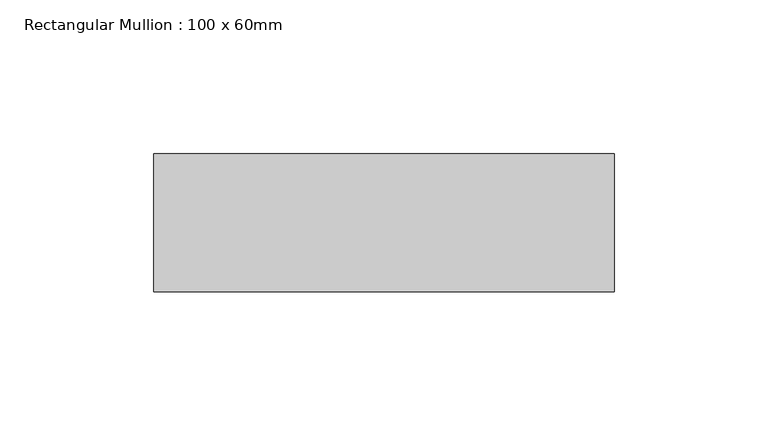
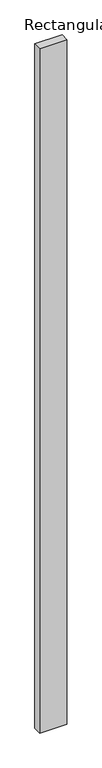
"""IFC4 building model written with IfcOpenShell, lengths in millimetres: member geometry, Rectangular Mullion : 100 x 60mm."""

from ifc_helpers import new_model, si_unit, frame, origin, place, context, project, spatial, polyline, outline, extrude, source, transform, mapped, element, save


def rectangular_mullion_100_x_60mm_7c745005(model_context):
    return source(origin(), model_context, "Body", "SweptSolid", [
        extrude(outline(polyline([(-150.0, 30.0), (0.0, 30.0), (0.0, -15.0), (-150.0, -15.0), (-150.0, 30.0)])), frame((0.0, 0.0, -4000.0), z_axis=(0.0, 0.0, 1.0), x_axis=(1.0, 0.0, 0.0)), (0.0, 0.0, 1.0), 4000.0),
    ])


if __name__ == "__main__":
    model = new_model("IFC4")
    model_context = context("Model", 3, world=origin())
    ifc_project = project(units=[si_unit("LENGTHUNIT", "METRE", prefix="MILLI")], contexts=[model_context])
    site = spatial("IfcSite", under=ifc_project)
    building = spatial("IfcBuilding", under=site)
    placement = place(None, origin())
    rectangular_mullion_100_x_60mm_shape = rectangular_mullion_100_x_60mm_7c745005(model_context)
    element("IfcMember", 1, ObjectType="Rectangular Mullion : 100 x 60mm", at=placement, inside=building, context=model_context, shape_type="MappedRepresentation", body=[
        mapped(rectangular_mullion_100_x_60mm_shape, transform((0.0, 0.0, 0.0), x_axis=(1.0, 0.0, 0.0), y_axis=(0.0, 1.0, 0.0), z_axis=(0.0, 0.0, 1.0))),
    ])
    save(model, "model.ifc")
